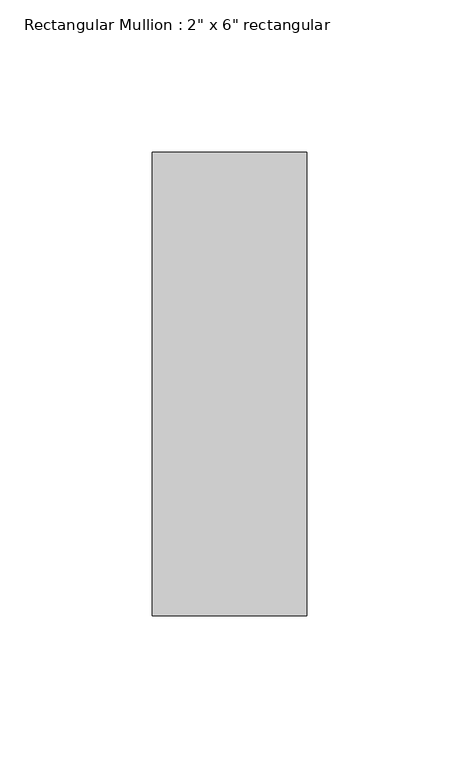
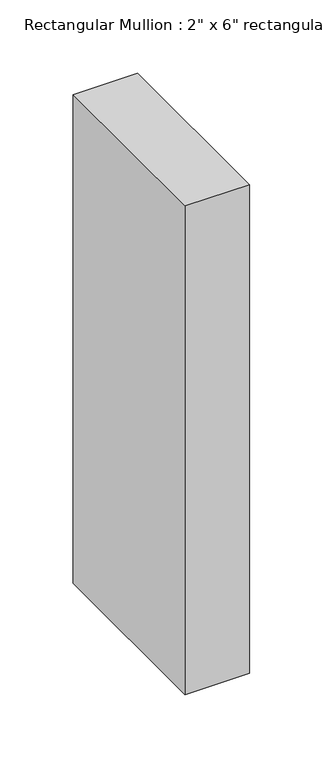
"""IFC4 building model written with IfcOpenShell, lengths in millimetres: member geometry."""

import ifcopenshell
import ifcopenshell.guid

model = None  # the IFC model being written
_history = None  # IfcOwnerHistory: only IFC2X3 demands one
_inside = {}  # id of a spatial element -> (the spatial element, [elements in it])
_under = {}  # id of a project, library or spatial element -> (it, [spatial elements below it])
_declared = {}  # id of a project -> (the project, [libraries it declares])
_typed = {}  # id of a type object -> (the type object, [elements of that type])
_made_of = {}  # id of a material, layer set ... -> (it, [elements and type objects made of it])


def new_model(schema):
    """Start an empty IFC model of exactly this schema.

    Asked for "IFC4X3", IfcOpenShell would pick the latest addendum, in which some entities
    have other attributes; the version numbers below select the first issue.
    IFC2X3 requires an IfcOwnerHistory on every rooted entity: one is made here for all.
    """
    global model, _history
    if schema == "IFC4X3":
        model = ifcopenshell.file(schema_version=(4, 3, 0, 0))
    else:
        model = ifcopenshell.file(schema=schema)
    _inside.clear()
    _under.clear()
    _declared.clear()
    _typed.clear()
    _made_of.clear()
    _history = None
    if model.schema == "IFC2X3":
        org = make("IfcOrganization", Name="unknown")
        user = make(
            "IfcPersonAndOrganization",
            ThePerson=make("IfcPerson", FamilyName="unknown"),
            TheOrganization=org,
        )
        app = make(
            "IfcApplication",
            ApplicationDeveloper=org,
            Version="unknown",
            ApplicationFullName="unknown",
            ApplicationIdentifier="unknown",
        )
        _history = make(
            "IfcOwnerHistory",
            OwningUser=user,
            OwningApplication=app,
            ChangeAction="ADDED",
            CreationDate=0,
        )
    return model


def make(cls, **values):
    """One entity of the class cls with the attributes given. An attribute that is None is left unset."""
    return model.create_entity(
        cls, **{name: value for name, value in values.items() if value is not None}
    )


def rooted(cls, **values):
    """An entity with a GlobalId (a new one), such as an element, a storey or a relation."""
    return make(cls, GlobalId=ifcopenshell.guid.new(), OwnerHistory=_history, **values)


def si_unit(unit_type, name, prefix=None):
    """IfcSIUnit, for example si_unit("LENGTHUNIT", "METRE", prefix="MILLI")."""
    return make("IfcSIUnit", UnitType=unit_type, Prefix=prefix, Name=name)


def assignment(units):
    """IfcUnitAssignment: the units of a project."""
    return None if units is None else make("IfcUnitAssignment", Units=units)


def point(xyz):
    """IfcCartesianPoint."""
    return None if xyz is None else make("IfcCartesianPoint", Coordinates=xyz)


def direction(xyz):
    """IfcDirection."""
    return None if xyz is None else make("IfcDirection", DirectionRatios=xyz)


def frame(location, z_axis=None, x_axis=None):
    """IfcAxis2Placement3D, a coordinate frame: its origin and axes. An axis left out is left unset."""
    return make(
        "IfcAxis2Placement3D",
        Location=point(location),
        Axis=direction(z_axis),
        RefDirection=direction(x_axis),
    )


def origin():
    """The frame at (0, 0, 0) with its axes left unset."""
    return frame((0.0, 0.0, 0.0))


def place(relative_to, where):
    """IfcLocalPlacement: puts the frame where relative to a parent placement (None: the world)."""
    return make(
        "IfcLocalPlacement", PlacementRelTo=relative_to, RelativePlacement=where
    )


def context(
    kind, dimensions, precision=None, world=None, true_north=None, identifier=None
):
    """IfcGeometricRepresentationContext, for example the 3D "Model" context."""
    return make(
        "IfcGeometricRepresentationContext",
        ContextIdentifier=identifier,
        ContextType=kind,
        CoordinateSpaceDimension=dimensions,
        Precision=precision,
        WorldCoordinateSystem=world,
        TrueNorth=true_north,
    )


def project(units=None, contexts=None):
    """IfcProject with its units and contexts."""
    return rooted(
        "IfcProject",
        Name="project",
        RepresentationContexts=contexts,
        UnitsInContext=assignment(units),
    )


def spatial(cls, under=None, at=None, **own):
    """A site, building, storey or space (cls), placed at a placement, below another one or the project."""
    s = rooted(cls, ObjectPlacement=at, **own)
    if under is not None:
        _under.setdefault(under.id(), (under, []))[1].append(s)
    return s


def polyline(points):
    """IfcPolyline through the points."""
    return make("IfcPolyline", Points=[point(p) for p in points])


def outline(outer, holes=None, kind="AREA"):
    """IfcArbitraryClosedProfileDef: a profile drawn as a closed curve; with holes, ...WithVoids."""
    if holes is None:
        return make("IfcArbitraryClosedProfileDef", ProfileType=kind, OuterCurve=outer)
    return make(
        "IfcArbitraryProfileDefWithVoids",
        ProfileType=kind,
        OuterCurve=outer,
        InnerCurves=holes,
    )


def extrude(swept, where, along, depth):
    """IfcExtrudedAreaSolid: the profile swept, set in the frame where, extruded along a direction by depth."""
    return make(
        "IfcExtrudedAreaSolid",
        SweptArea=swept,
        Position=where,
        ExtrudedDirection=direction(along),
        Depth=depth,
    )


def shape(context_of_items, identifier, shape_type, items):
    """IfcShapeRepresentation: the items that make up one representation, for example the "Body"."""
    return make(
        "IfcShapeRepresentation",
        ContextOfItems=context_of_items,
        RepresentationIdentifier=identifier,
        RepresentationType=shape_type,
        Items=items,
    )


def source(mapping_origin, context_of_items, identifier, shape_type, items):
    """IfcRepresentationMap: a shape defined once, which mapped items show again and again."""
    return make(
        "IfcRepresentationMap",
        MappingOrigin=mapping_origin,
        MappedRepresentation=shape(context_of_items, identifier, shape_type, items),
    )


def transform(
    local_origin,
    x_axis=None,
    y_axis=None,
    z_axis=None,
    scale=None,
    scale2=None,
    scale3=None,
    uniform=True,
):
    """IfcCartesianTransformationOperator3D, or its non-uniform kind. x_axis, y_axis, z_axis: its Axis1, 2, 3."""
    if uniform:
        return make(
            "IfcCartesianTransformationOperator3D",
            Axis1=direction(x_axis),
            Axis2=direction(y_axis),
            LocalOrigin=point(local_origin),
            Scale=scale,
            Axis3=direction(z_axis),
        )
    return make(
        "IfcCartesianTransformationOperator3DnonUniform",
        Axis1=direction(x_axis),
        Axis2=direction(y_axis),
        LocalOrigin=point(local_origin),
        Scale=scale,
        Axis3=direction(z_axis),
        Scale2=scale2,
        Scale3=scale3,
    )


def mapped(mapping_source, mapping_target):
    """IfcMappedItem: shows the shape of a source again, moved by a transform."""
    return make(
        "IfcMappedItem", MappingSource=mapping_source, MappingTarget=mapping_target
    )


def made_of(thing, what):
    """Note that an element or type object is made of a material, layer set ...; save() writes the relation."""
    if what is not None:
        _made_of.setdefault(what.id(), (what, []))[1].append(thing)
    return thing


def element(
    cls,
    number,
    at=None,
    inside=None,
    cuts=None,
    type_object=None,
    material=None,
    context=None,
    identifier="Body",
    shape_type=None,
    held_by="IfcProductDefinitionShape",
    body=None,
    shapes=None,
    **own,
):
    """One element of the class cls, such as IfcWall. Its Tag is "e" and its number.

    at: its placement. inside: the storey or other place that contains it. cuts: it is an
    opening in that element (IfcRelVoidsElement). A single representation is given by context,
    identifier, shape_type and body (its items); several are given by shapes. held_by: the class
    of the entity that holds the representations. save() writes the other relations.
    """
    e = rooted(cls, Tag="e%d" % number, ObjectPlacement=at, **own)
    if body is not None:
        shapes = [shape(context, identifier, shape_type, body)]
    if shapes is not None:
        e.Representation = make(held_by, Representations=shapes)
    if inside is not None:
        _inside.setdefault(inside.id(), (inside, []))[1].append(e)
    if cuts is not None:
        rooted(
            "IfcRelVoidsElement", RelatingBuildingElement=cuts, RelatedOpeningElement=e
        )
    if type_object is not None:
        _typed.setdefault(type_object.id(), (type_object, []))[1].append(e)
    return made_of(e, material)


def aggregate(whole, parts):
    """IfcRelAggregates: a whole, such as a stair, and the parts it consists of."""
    return rooted("IfcRelAggregates", RelatingObject=whole, RelatedObjects=parts)


def save(model, path):
    """Write the relations noted so far, then the file.

    IfcRelAggregates (storeys below a building ...), IfcRelContainedInSpatialStructure (elements
    in a storey), IfcRelDefinesByType, IfcRelAssociatesMaterial and IfcRelDeclares: one each for
    every whole, place, type object, material and project.
    """
    for whole, parts in _under.values():
        aggregate(whole, parts)
    for where, things in _inside.values():
        rooted(
            "IfcRelContainedInSpatialStructure",
            RelatedElements=things,
            RelatingStructure=where,
        )
    for kind, things in _typed.values():
        rooted("IfcRelDefinesByType", RelatedObjects=things, RelatingType=kind)
    for what, things in _made_of.values():
        rooted("IfcRelAssociatesMaterial", RelatedObjects=things, RelatingMaterial=what)
    for by, libraries in _declared.values():
        rooted("IfcRelDeclares", RelatingContext=by, RelatedDefinitions=libraries)
    model.write(path)


def member_044f9928(model_context):
    return source(origin(), model_context, "Body", "SweptSolid", [
        extrude(outline(polyline([(0.0, 76.2), (0.0, -76.2), (-50.8, -76.2), (-50.8, 76.2), (0.0, 76.2)])), frame((0.0, 0.0, -406.4), z_axis=(0.0, 0.0, 1.0), x_axis=(1.0, 0.0, 0.0)), (0.0, 0.0, 1.0), 406.4),
    ])


if __name__ == "__main__":
    model = new_model("IFC4")
    model_context = context("Model", 3, world=origin())
    ifc_project = project(units=[si_unit("LENGTHUNIT", "METRE", prefix="MILLI")], contexts=[model_context])
    site = spatial("IfcSite", under=ifc_project)
    building = spatial("IfcBuilding", under=site)
    placement = place(None, origin())
    member_shape = member_044f9928(model_context)
    element("IfcMember", 1, ObjectType="Rectangular Mullion : 2\" x 6\" rectangular", at=placement, inside=building, context=model_context, shape_type="MappedRepresentation", body=[
        mapped(member_shape, transform((0.0, 0.0, 0.0), x_axis=(1.0, 0.0, 0.0), y_axis=(0.0, 1.0, 0.0), z_axis=(0.0, 0.0, 1.0))),
    ])
    save(model, "model.ifc")
